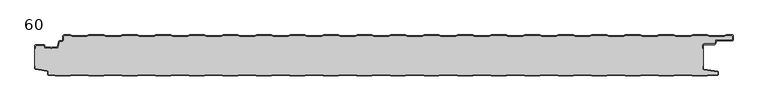
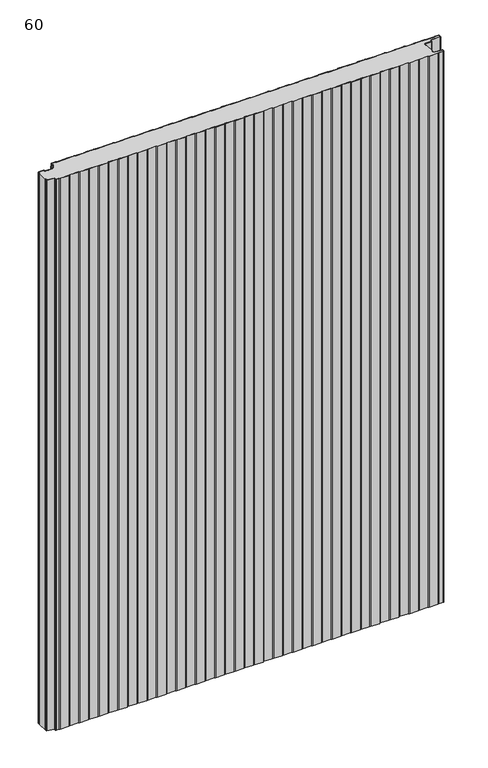
"""IFC4 building model written with IfcOpenShell, lengths in millimetres: plate geometry, 60."""

from ifc_helpers import new_model, si_unit, point, frame_2d, origin, origin_with_axes, place, context, project, spatial, polyline, circle_curve, trimmed, segment, composite_curve, outline, extrude, source, transform, mapped, element, save


def plate_60_f3ddeb56(model_context):
    return source(origin(), model_context, "Body", "SweptSolid", [
        extrude(outline(composite_curve([segment(trimmed(circle_curve(frame_2d((-498.6, -16.2480681)), 1.4), [point((-500.0, -16.2480681))], [point((-498.6, -14.8480681))], False, "CARTESIAN"), True, "CONTINUOUS"), segment(polyline([(-498.6, -14.8480681), (-486.4969094, -14.8480681)]), True, "CONTINUOUS"), segment(trimmed(circle_curve(frame_2d((-486.4969094, -16.2480681)), 1.4), [point((-486.4969094, -14.8480681))], [point((-485.1275334, -15.9568477))], False, "CARTESIAN"), True, "CONTINUOUS"), segment(polyline([(-485.1275334, -15.9568477), (-484.6878192, -18.0244711)]), True, "CONTINUOUS"), segment(trimmed(circle_curve(frame_2d((-484.1011925, -17.8997153)), 0.5997457), [point((-484.6878192, -18.0244711))], [point((-484.1011925, -18.499461))], True, "CARTESIAN"), True, "CONTINUOUS"), segment(polyline([(-484.1011925, -18.499461), (-476.9006569, -18.499461)]), True, "CONTINUOUS"), segment(trimmed(circle_curve(frame_2d((-476.9006569, -19.799946)), 1.300485), [point((-476.9006569, -18.499461))], [point((-475.9808032, -18.8806362))], False, "CARTESIAN"), True, "CONTINUOUS"), segment(trimmed(circle_curve(frame_2d((-475.5877843, -18.5693125)), 0.5013845), [point((-475.9808032, -18.8806362))], [point((-475.2328971, -18.9234896))], True, "CARTESIAN"), True, "CONTINUOUS"), segment(trimmed(circle_curve(frame_2d((-474.2728751, -19.8002001)), 1.3001013), [point((-475.2328971, -18.9234896))], [point((-474.2728751, -18.5000988))], False, "CARTESIAN"), True, "CONTINUOUS"), segment(polyline([(-474.2728751, -18.5000988), (-467.0728572, -18.5000988)]), True, "CONTINUOUS"), segment(trimmed(circle_curve(frame_2d((-467.0728572, -17.9000522)), 0.6000466), [point((-467.0728572, -18.5000988))], [point((-466.4859224, -18.0248059))], True, "CARTESIAN"), True, "CONTINUOUS"), segment(polyline([(-466.4859224, -18.0248059), (-464.8033928, -10.1089305)]), True, "CONTINUOUS"), segment(trimmed(circle_curve(frame_2d((-463.4339847, -10.4)), 1.4), [point((-464.8033928, -10.1089305))], [point((-463.4339847, -9.0))], False, "CARTESIAN"), True, "CONTINUOUS"), segment(polyline([(-463.4339847, -9.0), (-460.4027062, -9.0)]), True, "CONTINUOUS"), segment(trimmed(circle_curve(frame_2d((-460.4027062, -7.1)), 1.9), [point((-460.4027062, -9.0))], [point((-458.5027062, -7.1))], True, "CARTESIAN"), True, "CONTINUOUS"), segment(polyline([(-458.5027062, -7.1), (-458.5027062, -2.0)]), True, "CONTINUOUS"), segment(trimmed(circle_curve(frame_2d((-456.5027062, -2.0)), 2.0), [point((-458.5027062, -2.0))], [point((-456.5027062, 0.0))], False, "CARTESIAN"), True, "CONTINUOUS"), segment(polyline([(-456.5027062, 0.0), (-447.5017452, 0.0), (-444.5017452, -1.0), (-422.5017452, -1.0), (-419.5017452, 0.0), (-397.5017452, 0.0), (-394.5017452, -1.0), (-372.5017452, -1.0), (-369.5017452, 0.0), (-347.5017452, 0.0), (-344.5017452, -1.0), (-322.5017452, -1.0), (-319.5017452, 0.0), (-297.5017452, 0.0), (-294.5017452, -1.0), (-272.5017452, -1.0), (-269.5017452, 0.0), (-247.5017452, 0.0), (-244.5017452, -1.0), (-222.5017452, -1.0), (-219.5017452, 0.0), (-197.5017452, 0.0), (-194.5017452, -1.0), (-172.5017452, -1.0), (-169.5017452, 0.0), (-147.5017452, 0.0), (-144.5017452, -1.0), (-122.5017452, -1.0), (-119.5017452, 0.0), (-97.5017452, 0.0), (-94.5017452, -1.0), (-72.5017452, -1.0), (-69.5017452, 0.0), (-47.5017452, 0.0), (-44.5017452, -1.0), (-22.5017452, -1.0), (-19.5017452, 0.0), (2.4982548, 0.0), (5.4982548, -1.0), (27.4982548, -1.0), (30.4982548, 0.0), (52.4982548, 0.0), (55.4982548, -1.0), (77.4982548, -1.0), (80.4982548, 0.0), (102.4982548, 0.0), (105.4982548, -1.0), (127.4982548, -1.0), (130.4982548, 0.0), (152.4982548, 0.0), (155.4982548, -1.0), (177.4982548, -1.0), (180.4982548, 0.0), (202.4982548, 0.0), (205.4982548, -1.0), (227.4982548, -1.0), (230.4982548, 0.0), (252.4982548, 0.0), (255.4982548, -1.0), (277.4982548, -1.0), (280.4982548, 0.0), (302.4982548, 0.0), (305.4982548, -1.0), (327.4982548, -1.0), (330.4982548, 0.0), (352.4982548, 0.0), (355.4982548, -1.0), (377.4982548, -1.0), (380.4982548, 0.0), (402.4982548, 0.0), (405.4982548, -1.0), (427.4982548, -1.0), (430.4982548, 0.0), (452.4982548, 0.0), (455.4982548, -1.0), (477.4982548, -1.0), (480.4982548, 0.0), (502.4982548, 0.0), (505.4982548, -1.0), (527.4982548, -1.0), (530.4982548, 0.0), (539.4972938, 0.0)]), True, "CONTINUOUS"), segment(trimmed(circle_curve(frame_2d((539.4972938, -2.0)), 2.0), [point((539.4972938, 0.0))], [point((541.0, -0.6801992))], False, "CARTESIAN"), True, "CONTINUOUS"), segment(polyline([(541.0, -0.6801992), (541.0, -8.0014566)]), True, "CONTINUOUS"), segment(trimmed(circle_curve(frame_2d((539.7972938, -6.8)), 1.7), [point((541.0, -8.0014566))], [point((539.7972938, -8.5))], False, "CARTESIAN"), True, "CONTINUOUS"), segment(polyline([(539.7972938, -8.5), (517.0135311, -8.5)]), True, "CONTINUOUS"), segment(trimmed(circle_curve(frame_2d((517.0135311, -9.9)), 1.4), [point((517.0135311, -8.5))], [point((515.6441245, -9.6089236))], True, "CARTESIAN"), True, "CONTINUOUS"), segment(polyline([(515.6441245, -9.6089236), (514.8724972, -13.2391445)]), True, "CONTINUOUS"), segment(trimmed(circle_curve(frame_2d((513.5030906, -12.9480681)), 1.4), [point((514.8724972, -13.2391445))], [point((513.5030906, -14.3480681))], False, "CARTESIAN"), True, "CONTINUOUS"), segment(polyline([(513.5030906, -14.3480681), (497.9, -14.3480681)]), True, "CONTINUOUS"), segment(trimmed(circle_curve(frame_2d((497.9, -15.7480681)), 1.4), [point((497.9, -14.3480681))], [point((496.5, -15.7480681))], True, "CARTESIAN"), True, "CONTINUOUS"), segment(polyline([(496.5, -15.7480681), (496.5, -20.2482392), (495.7, -20.2482392), (495.7, -15.7480681)]), True, "CONTINUOUS"), segment(trimmed(circle_curve(frame_2d((497.9, -15.7480681)), 2.2), [point((495.7, -15.7480681))], [point((497.9, -13.5480681))], False, "CARTESIAN"), True, "CONTINUOUS"), segment(polyline([(497.9, -13.5480681), (513.5030906, -13.5480681)]), True, "CONTINUOUS"), segment(trimmed(circle_curve(frame_2d((513.5030906, -12.9480681)), 0.6), [point((513.5030906, -13.5480681))], [point((514.0899792, -13.0728151))], True, "CARTESIAN"), True, "CONTINUOUS"), segment(polyline([(514.0899792, -13.0728151), (514.8616064, -9.4425943)]), True, "CONTINUOUS"), segment(trimmed(circle_curve(frame_2d((517.0135311, -9.9)), 2.2), [point((514.8616064, -9.4425943))], [point((517.0135311, -7.7))], False, "CARTESIAN"), True, "CONTINUOUS"), segment(polyline([(517.0135311, -7.7), (539.7972938, -7.7)]), True, "CONTINUOUS"), segment(trimmed(circle_curve(frame_2d((539.7972938, -6.8)), 0.9), [point((539.7972938, -7.7))], [point((540.6972938, -6.8))], True, "CARTESIAN"), True, "CONTINUOUS"), segment(polyline([(540.6972938, -6.8), (540.6972938, -2.0)]), True, "CONTINUOUS"), segment(trimmed(circle_curve(frame_2d((539.4972938, -2.0)), 1.2), [point((540.6972938, -2.0))], [point((539.4972938, -0.8))], True, "CARTESIAN"), True, "CONTINUOUS"), segment(polyline([(539.4972938, -0.8), (530.6280769, -0.8), (527.6280769, -1.8), (505.3684327, -1.8), (502.3684327, -0.8), (480.6280769, -0.8), (477.6280769, -1.8), (455.3684327, -1.8), (452.3684327, -0.8), (430.6280769, -0.8), (427.6280769, -1.8), (405.3684327, -1.8), (402.3684327, -0.8), (380.6280769, -0.8), (377.6280769, -1.8), (355.3684327, -1.8), (352.3684327, -0.8), (330.6280769, -0.8), (327.6280769, -1.8), (305.3684327, -1.8), (302.3684327, -0.8), (280.6280769, -0.8), (277.6280769, -1.8), (255.3684327, -1.8), (252.3684327, -0.8), (230.6280769, -0.8), (227.6280769, -1.8), (205.3684327, -1.8), (202.3684327, -0.8), (180.6280769, -0.8), (177.6280769, -1.8), (155.3684327, -1.8), (152.3684327, -0.8), (130.6280769, -0.8), (127.6280769, -1.8), (105.3684327, -1.8), (102.3684327, -0.8), (80.6280769, -0.8), (77.6280769, -1.8), (55.3684327, -1.8), (52.3684327, -0.8), (30.6280769, -0.8), (27.6280769, -1.8), (5.3684327, -1.8), (2.3684327, -0.8), (-19.3719231, -0.8), (-22.3719231, -1.8), (-44.6315673, -1.8), (-47.6315673, -0.8), (-69.3719231, -0.8), (-72.3719231, -1.8), (-94.6315673, -1.8), (-97.6315673, -0.8), (-119.3719231, -0.8), (-122.3719231, -1.8), (-144.6315673, -1.8), (-147.6315673, -0.8), (-169.3719231, -0.8), (-172.3719231, -1.8), (-194.6315673, -1.8), (-197.6315673, -0.8), (-219.3719231, -0.8), (-222.3719231, -1.8), (-244.6315673, -1.8), (-247.6315673, -0.8), (-269.3719231, -0.8), (-272.3719231, -1.8), (-294.6315673, -1.8), (-297.6315673, -0.8), (-319.3719231, -0.8), (-322.3719231, -1.8), (-344.6315673, -1.8), (-347.6315673, -0.8), (-369.3719231, -0.8), (-372.3719231, -1.8), (-394.6315673, -1.8), (-397.6315673, -0.8), (-419.3719231, -0.8), (-422.3719231, -1.8), (-444.6315673, -1.8), (-447.6315673, -0.8), (-456.5027062, -0.8)]), True, "CONTINUOUS"), segment(trimmed(circle_curve(frame_2d((-456.5027062, -2.0)), 1.2), [point((-456.5027062, -0.8))], [point((-457.7027062, -2.0))], True, "CARTESIAN"), True, "CONTINUOUS"), segment(polyline([(-457.7027062, -2.0), (-457.7027062, -7.1)]), True, "CONTINUOUS"), segment(trimmed(circle_curve(frame_2d((-460.4027062, -7.1)), 2.7), [point((-457.7027062, -7.1))], [point((-460.4027062, -9.8))], False, "CARTESIAN"), True, "CONTINUOUS"), segment(polyline([(-460.4027062, -9.8), (-463.4339847, -9.8)]), True, "CONTINUOUS"), segment(trimmed(circle_curve(frame_2d((-463.4339847, -10.4)), 0.6), [point((-463.4339847, -9.8))], [point((-464.0208733, -10.275253))], True, "CARTESIAN"), True, "CONTINUOUS"), segment(polyline([(-464.0208733, -10.275253), (-465.7034335, -18.1910764)]), True, "CONTINUOUS"), segment(trimmed(circle_curve(frame_2d((-467.0728401, -17.9)), 1.4), [point((-465.7034335, -18.1910764))], [point((-467.0728401, -19.3))], False, "CARTESIAN"), True, "CONTINUOUS"), segment(polyline([(-467.0728401, -19.3), (-474.5122154, -19.3)]), True, "CONTINUOUS"), segment(trimmed(circle_curve(frame_2d((-475.5869697, -18.5686292)), 1.3), [point((-474.5122154, -19.3))], [point((-476.6617239, -19.3))], False, "CARTESIAN"), True, "CONTINUOUS"), segment(polyline([(-476.6617239, -19.3), (-484.1010993, -19.3)]), True, "CONTINUOUS"), segment(trimmed(circle_curve(frame_2d((-484.1010993, -17.9)), 1.4), [point((-484.1010993, -19.3))], [point((-485.4705059, -18.1910764))], False, "CARTESIAN"), True, "CONTINUOUS"), segment(polyline([(-485.4705059, -18.1910764), (-485.9100208, -16.1233211)]), True, "CONTINUOUS"), segment(trimmed(circle_curve(frame_2d((-486.4969094, -16.2480681)), 0.6), [point((-485.9100208, -16.1233211))], [point((-486.4969094, -15.6480681))], True, "CARTESIAN"), True, "CONTINUOUS"), segment(polyline([(-486.4969094, -15.6480681), (-498.6, -15.6480681)]), True, "CONTINUOUS"), segment(trimmed(circle_curve(frame_2d((-498.6, -16.2480681)), 0.6), [point((-498.6, -15.6480681))], [point((-499.2, -16.2480681))], True, "CARTESIAN"), True, "CONTINUOUS"), segment(polyline([(-499.2, -16.2480681), (-499.2, -20.2482392), (-500.0, -20.2482392), (-500.0, -16.2480681)]), True, "CONTINUOUS")], self_intersect=False)), origin_with_axes(), (0.0, 0.0, 1.0), 1500.0),
        extrude(outline(composite_curve([segment(polyline([(-500.0, -46.3232445), (-500.0, -20.2482392), (-499.2, -20.2482392), (-499.2, -16.2480681)]), True, "CONTINUOUS"), segment(trimmed(circle_curve(frame_2d((-498.6, -16.2480681)), 0.6), [point((-499.2, -16.2480681))], [point((-498.6, -15.6480681))], False, "CARTESIAN"), True, "CONTINUOUS"), segment(polyline([(-498.6, -15.6480681), (-486.4969094, -15.6480681)]), True, "CONTINUOUS"), segment(trimmed(circle_curve(frame_2d((-486.4969094, -16.2480681)), 0.6), [point((-486.4969094, -15.6480681))], [point((-485.9100208, -16.1233211))], False, "CARTESIAN"), True, "CONTINUOUS"), segment(polyline([(-485.9100208, -16.1233211), (-485.4705059, -18.1910764)]), True, "CONTINUOUS"), segment(trimmed(circle_curve(frame_2d((-484.1010993, -17.9)), 1.4), [point((-485.4705059, -18.1910764))], [point((-484.1010993, -19.3))], True, "CARTESIAN"), True, "CONTINUOUS"), segment(polyline([(-484.1010993, -19.3), (-476.6617239, -19.3)]), True, "CONTINUOUS"), segment(trimmed(circle_curve(frame_2d((-475.5869697, -18.5686292)), 1.3), [point((-476.6617239, -19.3))], [point((-474.5122154, -19.3))], True, "CARTESIAN"), True, "CONTINUOUS"), segment(polyline([(-474.5122154, -19.3), (-467.0728401, -19.3)]), True, "CONTINUOUS"), segment(trimmed(circle_curve(frame_2d((-467.0728401, -17.9)), 1.4), [point((-467.0728401, -19.3))], [point((-465.7034335, -18.1910764))], True, "CARTESIAN"), True, "CONTINUOUS"), segment(polyline([(-465.7034335, -18.1910764), (-464.0208733, -10.275253)]), True, "CONTINUOUS"), segment(trimmed(circle_curve(frame_2d((-463.4339847, -10.4)), 0.6), [point((-464.0208733, -10.275253))], [point((-463.4339847, -9.8))], False, "CARTESIAN"), True, "CONTINUOUS"), segment(polyline([(-463.4339847, -9.8), (-460.4027062, -9.8)]), True, "CONTINUOUS"), segment(trimmed(circle_curve(frame_2d((-460.4027062, -7.1)), 2.7), [point((-460.4027062, -9.8))], [point((-457.7027062, -7.1))], True, "CARTESIAN"), True, "CONTINUOUS"), segment(polyline([(-457.7027062, -7.1), (-457.7027062, -2.0)]), True, "CONTINUOUS"), segment(trimmed(circle_curve(frame_2d((-456.5027062, -2.0)), 1.2), [point((-457.7027062, -2.0))], [point((-456.5027062, -0.8))], False, "CARTESIAN"), True, "CONTINUOUS"), segment(polyline([(-456.5027062, -0.8), (-447.6315673, -0.8), (-444.6315673, -1.8), (-422.3719231, -1.8), (-419.3719231, -0.8), (-397.6315673, -0.8), (-394.6315673, -1.8), (-372.3719231, -1.8), (-369.3719231, -0.8), (-347.6315673, -0.8), (-344.6315673, -1.8), (-322.3719231, -1.8), (-319.3719231, -0.8), (-297.6315673, -0.8), (-294.6315673, -1.8), (-272.3719231, -1.8), (-269.3719231, -0.8), (-247.6315673, -0.8), (-244.6315673, -1.8), (-222.3719231, -1.8), (-219.3719231, -0.8), (-197.6315673, -0.8), (-194.6315673, -1.8), (-172.3719231, -1.8), (-169.3719231, -0.8), (-147.6315673, -0.8), (-144.6315673, -1.8), (-122.3719231, -1.8), (-119.3719231, -0.8), (-97.6315673, -0.8), (-94.6315673, -1.8), (-72.3719231, -1.8), (-69.3719231, -0.8), (-47.6315673, -0.8), (-44.6315673, -1.8), (-22.3719231, -1.8), (-19.3719231, -0.8), (2.3684327, -0.8), (5.3684327, -1.8), (27.6280769, -1.8), (30.6280769, -0.8), (52.3684327, -0.8), (55.3684327, -1.8), (77.6280769, -1.8), (80.6280769, -0.8), (102.3684327, -0.8), (105.3684327, -1.8), (127.6280769, -1.8), (130.6280769, -0.8), (152.3684327, -0.8), (155.3684327, -1.8), (177.6280769, -1.8), (180.6280769, -0.8), (202.3684327, -0.8), (205.3684327, -1.8), (227.6280769, -1.8), (230.6280769, -0.8), (252.3684327, -0.8), (255.3684327, -1.8), (277.6280769, -1.8), (280.6280769, -0.8), (302.3684327, -0.8), (305.3684327, -1.8), (327.6280769, -1.8), (330.6280769, -0.8), (352.3684327, -0.8), (355.3684327, -1.8), (377.6280769, -1.8), (380.6280769, -0.8), (402.3684327, -0.8), (405.3684327, -1.8), (427.6280769, -1.8), (430.6280769, -0.8), (452.3684327, -0.8), (455.3684327, -1.8), (477.6280769, -1.8), (480.6280769, -0.8), (502.3684327, -0.8), (505.3684327, -1.8), (527.6280769, -1.8), (530.6280769, -0.8), (539.4972938, -0.8)]), True, "CONTINUOUS"), segment(trimmed(circle_curve(frame_2d((539.4972938, -2.0)), 1.2), [point((539.4972938, -0.8))], [point((540.6972938, -2.0))], False, "CARTESIAN"), True, "CONTINUOUS"), segment(polyline([(540.6972938, -2.0), (540.6972938, -6.8)]), True, "CONTINUOUS"), segment(trimmed(circle_curve(frame_2d((539.7972938, -6.8)), 0.9), [point((540.6972938, -6.8))], [point((539.7972938, -7.7))], False, "CARTESIAN"), True, "CONTINUOUS"), segment(polyline([(539.7972938, -7.7), (517.0135311, -7.7)]), True, "CONTINUOUS"), segment(trimmed(circle_curve(frame_2d((517.0135311, -9.9)), 2.2), [point((517.0135311, -7.7))], [point((514.8616064, -9.4425943))], True, "CARTESIAN"), True, "CONTINUOUS"), segment(polyline([(514.8616064, -9.4425943), (514.0899792, -13.0728151)]), True, "CONTINUOUS"), segment(trimmed(circle_curve(frame_2d((513.5030906, -12.9480681)), 0.6), [point((514.0899792, -13.0728151))], [point((513.5030906, -13.5480681))], False, "CARTESIAN"), True, "CONTINUOUS"), segment(polyline([(513.5030906, -13.5480681), (497.9, -13.5480681)]), True, "CONTINUOUS"), segment(trimmed(circle_curve(frame_2d((497.9, -15.7480681)), 2.2), [point((497.9, -13.5480681))], [point((495.7, -15.7480681))], True, "CARTESIAN"), True, "CONTINUOUS"), segment(polyline([(495.7, -15.7480681), (495.7, -20.2482392), (496.5, -20.2482392), (496.5, -46.3232445), (495.7, -46.3232445), (495.7, -50.7275325)]), True, "CONTINUOUS"), segment(trimmed(circle_curve(frame_2d((497.2, -50.7275325)), 1.5), [point((495.7, -50.7275325))], [point((496.9911207, -52.2129178))], True, "CARTESIAN"), True, "CONTINUOUS"), segment(polyline([(496.9911207, -52.2129178), (517.69005, -55.1236622)]), True, "CONTINUOUS"), segment(trimmed(circle_curve(frame_2d((517.6075495, -55.7103403)), 0.5924505), [point((517.69005, -55.1236622))], [point((518.2, -55.7103403))], False, "CARTESIAN"), True, "CONTINUOUS"), segment(polyline([(518.2, -55.7103403), (518.2, -58.7)]), True, "CONTINUOUS"), segment(trimmed(circle_curve(frame_2d((517.7, -58.7)), 0.5), [point((518.2, -58.7))], [point((517.7, -59.2))], False, "CARTESIAN"), True, "CONTINUOUS"), segment(polyline([(517.7, -59.2), (505.3684327, -59.2), (502.3684327, -60.2), (480.3684327, -60.2), (477.3684327, -59.2), (455.3684327, -59.2), (452.3684327, -60.2), (430.3684327, -60.2), (427.3684327, -59.2), (405.3684327, -59.2), (402.3684327, -60.2), (380.3684327, -60.2), (377.3684327, -59.2), (355.3684327, -59.2), (352.3684327, -60.2), (330.3684327, -60.2), (327.3684327, -59.2), (305.3684327, -59.2), (302.3684327, -60.2), (280.3684327, -60.2), (277.3684327, -59.2), (255.3684327, -59.2), (252.3684327, -60.2), (230.3684327, -60.2), (227.3684327, -59.2), (205.3684327, -59.2), (202.3684327, -60.2), (180.3684327, -60.2), (177.3684327, -59.2), (155.3684327, -59.2), (152.3684327, -60.2), (130.3684327, -60.2), (127.3684327, -59.2), (105.3684327, -59.2), (102.3684327, -60.2), (80.3684327, -60.2), (77.3684327, -59.2), (55.3684327, -59.2), (52.3684327, -60.2), (30.3684327, -60.2), (27.3684327, -59.2), (5.3684327, -59.2), (2.3684327, -60.2), (-19.6315673, -60.2), (-22.6315673, -59.2), (-44.6315673, -59.2), (-47.6315673, -60.2), (-69.6315673, -60.2), (-72.6315673, -59.2), (-94.6315673, -59.2), (-97.6315673, -60.2), (-119.6315673, -60.2), (-122.6315673, -59.2), (-144.6315673, -59.2), (-147.6315673, -60.2), (-169.6315673, -60.2), (-172.6315673, -59.2), (-194.6315673, -59.2), (-197.6315673, -60.2), (-219.6315673, -60.2), (-222.6315673, -59.2), (-244.6315673, -59.2), (-247.6315673, -60.2), (-269.6315673, -60.2), (-272.6315673, -59.2), (-294.6315673, -59.2), (-297.6315673, -60.2), (-319.6315673, -60.2), (-322.6315673, -59.2), (-344.6315673, -59.2), (-347.6315673, -60.2), (-369.6315673, -60.2), (-372.6315673, -59.2), (-394.6315673, -59.2), (-397.6315673, -60.2), (-419.6315673, -60.2), (-422.6315673, -59.2), (-444.6315673, -59.2), (-447.6315673, -60.2), (-469.6315673, -60.2), (-472.6315673, -59.2), (-479.7, -59.2)]), True, "CONTINUOUS"), segment(trimmed(circle_curve(frame_2d((-479.7, -58.7)), 0.5), [point((-479.7, -59.2))], [point((-480.2, -58.7))], False, "CARTESIAN"), True, "CONTINUOUS"), segment(polyline([(-480.2, -58.7), (-480.2, -54.6035317)]), True, "CONTINUOUS"), segment(trimmed(circle_curve(frame_2d((-481.7, -54.6035317)), 1.5), [point((-480.2, -54.6035317))], [point((-481.4911207, -53.1181464))], True, "CARTESIAN"), True, "CONTINUOUS"), segment(polyline([(-481.4911207, -53.1181464), (-498.6835517, -50.7004962)]), True, "CONTINUOUS"), segment(trimmed(circle_curve(frame_2d((-498.6, -50.1063421)), 0.6), [point((-498.6835517, -50.7004962))], [point((-499.2, -50.1063421))], False, "CARTESIAN"), True, "CONTINUOUS"), segment(polyline([(-499.2, -50.1063421), (-499.2, -46.3232445), (-500.0, -46.3232445)]), True, "CONTINUOUS")], self_intersect=False)), origin_with_axes(), (0.0, 0.0, 1.0), 1500.0),
        extrude(outline(composite_curve([segment(polyline([(-500.0, -46.3232445), (-499.2, -46.3232445), (-499.2, -50.1063421)]), True, "CONTINUOUS"), segment(trimmed(circle_curve(frame_2d((-498.6, -50.1063421)), 0.6), [point((-499.2, -50.1063421))], [point((-498.6835517, -50.7004962))], True, "CARTESIAN"), True, "CONTINUOUS"), segment(polyline([(-498.6835517, -50.7004962), (-481.4911207, -53.1181464)]), True, "CONTINUOUS"), segment(trimmed(circle_curve(frame_2d((-481.7, -54.6035317)), 1.5), [point((-481.4911207, -53.1181464))], [point((-480.2, -54.6035317))], False, "CARTESIAN"), True, "CONTINUOUS"), segment(polyline([(-480.2, -54.6035317), (-480.2, -58.7)]), True, "CONTINUOUS"), segment(trimmed(circle_curve(frame_2d((-479.7, -58.7)), 0.5), [point((-480.2, -58.7))], [point((-479.7, -59.2))], True, "CARTESIAN"), True, "CONTINUOUS"), segment(polyline([(-479.7, -59.2), (-472.6315673, -59.2), (-469.6315673, -60.2), (-447.6315673, -60.2), (-444.6315673, -59.2), (-422.6315673, -59.2), (-419.6315673, -60.2), (-397.6315673, -60.2), (-394.6315673, -59.2), (-372.6315673, -59.2), (-369.6315673, -60.2), (-347.6315673, -60.2), (-344.6315673, -59.2), (-322.6315673, -59.2), (-319.6315673, -60.2), (-297.6315673, -60.2), (-294.6315673, -59.2), (-272.6315673, -59.2), (-269.6315673, -60.2), (-247.6315673, -60.2), (-244.6315673, -59.2), (-222.6315673, -59.2), (-219.6315673, -60.2), (-197.6315673, -60.2), (-194.6315673, -59.2), (-172.6315673, -59.2), (-169.6315673, -60.2), (-147.6315673, -60.2), (-144.6315673, -59.2), (-122.6315673, -59.2), (-119.6315673, -60.2), (-97.6315673, -60.2), (-94.6315673, -59.2), (-72.6315673, -59.2), (-69.6315673, -60.2), (-47.6315673, -60.2), (-44.6315673, -59.2), (-22.6315673, -59.2), (-19.6315673, -60.2), (2.3684327, -60.2), (5.3684327, -59.2), (27.3684327, -59.2), (30.3684327, -60.2), (52.3684327, -60.2), (55.3684327, -59.2), (77.3684327, -59.2), (80.3684327, -60.2), (102.3684327, -60.2), (105.3684327, -59.2), (127.3684327, -59.2), (130.3684327, -60.2), (152.3684327, -60.2), (155.3684327, -59.2), (177.3684327, -59.2), (180.3684327, -60.2), (202.3684327, -60.2), (205.3684327, -59.2), (227.3684327, -59.2), (230.3684327, -60.2), (252.3684327, -60.2), (255.3684327, -59.2), (277.3684327, -59.2), (280.3684327, -60.2), (302.3684327, -60.2), (305.3684327, -59.2), (327.3684327, -59.2), (330.3684327, -60.2), (352.3684327, -60.2), (355.3684327, -59.2), (377.3684327, -59.2), (380.3684327, -60.2), (402.3684327, -60.2), (405.3684327, -59.2), (427.3684327, -59.2), (430.3684327, -60.2), (452.3684327, -60.2), (455.3684327, -59.2), (477.3684327, -59.2), (480.3684327, -60.2), (502.3684327, -60.2), (505.3684327, -59.2), (517.7, -59.2)]), True, "CONTINUOUS"), segment(trimmed(circle_curve(frame_2d((517.7, -58.7)), 0.5), [point((517.7, -59.2))], [point((518.2, -58.7))], True, "CARTESIAN"), True, "CONTINUOUS"), segment(polyline([(518.2, -58.7), (518.2, -55.7103403)]), True, "CONTINUOUS"), segment(trimmed(circle_curve(frame_2d((517.6075495, -55.7103403)), 0.5924505), [point((518.2, -55.7103403))], [point((517.69005, -55.1236622))], True, "CARTESIAN"), True, "CONTINUOUS"), segment(polyline([(517.69005, -55.1236622), (496.9911207, -52.2129178)]), True, "CONTINUOUS"), segment(trimmed(circle_curve(frame_2d((497.2, -50.7275325)), 1.5), [point((496.9911207, -52.2129178))], [point((495.7, -50.7275325))], False, "CARTESIAN"), True, "CONTINUOUS"), segment(polyline([(495.7, -50.7275325), (495.7, -46.3232445), (496.5, -46.3232445), (496.5, -50.7275325)]), True, "CONTINUOUS"), segment(trimmed(circle_curve(frame_2d((497.2, -50.7275325)), 0.7), [point((496.5, -50.7275325))], [point((497.102523, -51.4207123))], True, "CARTESIAN"), True, "CONTINUOUS"), segment(polyline([(497.102523, -51.4207123), (517.8810287, -54.342647)]), True, "CONTINUOUS"), segment(trimmed(circle_curve(frame_2d((517.7, -55.6299809)), 1.3), [point((517.8810287, -54.342647))], [point((519.0, -55.6299809))], False, "CARTESIAN"), True, "CONTINUOUS"), segment(polyline([(519.0, -55.6299809), (519.0, -58.7)]), True, "CONTINUOUS"), segment(trimmed(circle_curve(frame_2d((517.7, -58.7)), 1.3), [point((519.0, -58.7))], [point((517.7, -60.0))], False, "CARTESIAN"), True, "CONTINUOUS"), segment(polyline([(517.7, -60.0), (505.4982548, -60.0), (502.4982548, -61.0), (480.2386105, -61.0), (477.2386105, -60.0), (455.4982548, -60.0), (452.4982548, -61.0), (430.2386105, -61.0), (427.2386105, -60.0), (405.4982548, -60.0), (402.4982548, -61.0), (380.2386105, -61.0), (377.2386105, -60.0), (355.4982548, -60.0), (352.4982548, -61.0), (330.2386105, -61.0), (327.2386105, -60.0), (305.4982548, -60.0), (302.4982548, -61.0), (280.2386105, -61.0), (277.2386105, -60.0), (255.4982548, -60.0), (252.4982548, -61.0), (230.2386105, -61.0), (227.2386105, -60.0), (205.4982548, -60.0), (202.4982548, -61.0), (180.2386105, -61.0), (177.2386105, -60.0), (155.4982548, -60.0), (152.4982548, -61.0), (130.2386105, -61.0), (127.2386105, -60.0), (105.4982548, -60.0), (102.4982548, -61.0), (80.2386105, -61.0), (77.2386105, -60.0), (55.4982548, -60.0), (52.4982548, -61.0), (30.2386105, -61.0), (27.2386105, -60.0), (5.4982548, -60.0), (2.4982548, -61.0), (-19.7613895, -61.0), (-22.7613895, -60.0), (-44.5017452, -60.0), (-47.5017452, -61.0), (-69.7613895, -61.0), (-72.7613895, -60.0), (-94.5017452, -60.0), (-97.5017452, -61.0), (-119.7613895, -61.0), (-122.7613895, -60.0), (-144.5017452, -60.0), (-147.5017452, -61.0), (-169.7613895, -61.0), (-172.7613895, -60.0), (-194.5017452, -60.0), (-197.5017452, -61.0), (-219.7613895, -61.0), (-222.7613895, -60.0), (-244.5017452, -60.0), (-247.5017452, -61.0), (-269.7613895, -61.0), (-272.7613895, -60.0), (-294.5017452, -60.0), (-297.5017452, -61.0), (-319.7613895, -61.0), (-322.7613895, -60.0), (-344.5017452, -60.0), (-347.5017452, -61.0), (-369.7613895, -61.0), (-372.7613895, -60.0), (-394.5017452, -60.0), (-397.5017452, -61.0), (-419.7613895, -61.0), (-422.7613895, -60.0), (-444.5017452, -60.0), (-447.5017452, -61.0), (-469.7613895, -61.0), (-472.7613895, -60.0), (-479.7, -60.0)]), True, "CONTINUOUS"), segment(trimmed(circle_curve(frame_2d((-479.7, -58.7)), 1.3), [point((-479.7, -60.0))], [point((-481.0, -58.7))], False, "CARTESIAN"), True, "CONTINUOUS"), segment(polyline([(-481.0, -58.7), (-481.0, -54.6035317)]), True, "CONTINUOUS"), segment(trimmed(circle_curve(frame_2d((-481.7, -54.6035317)), 0.7), [point((-481.0, -54.6035317))], [point((-481.602523, -53.9103519))], True, "CARTESIAN"), True, "CONTINUOUS"), segment(polyline([(-481.602523, -53.9103519), (-498.8810287, -51.4805976)]), True, "CONTINUOUS"), segment(trimmed(circle_curve(frame_2d((-498.7, -50.1932637)), 1.3), [point((-498.8810287, -51.4805976))], [point((-500.0, -50.1932637))], False, "CARTESIAN"), True, "CONTINUOUS"), segment(polyline([(-500.0, -50.1932637), (-500.0, -46.3232445)]), True, "CONTINUOUS")], self_intersect=False)), origin_with_axes(), (0.0, 0.0, 1.0), 1500.0),
    ])


if __name__ == "__main__":
    model = new_model("IFC4")
    model_context = context("Model", 3, world=origin())
    ifc_project = project(units=[si_unit("LENGTHUNIT", "METRE", prefix="MILLI")], contexts=[model_context])
    site = spatial("IfcSite", under=ifc_project)
    building = spatial("IfcBuilding", under=site)
    placement = place(None, origin())
    plate_60_shape = plate_60_f3ddeb56(model_context)
    element("IfcPlate", 1, ObjectType="60", at=placement, inside=building, context=model_context, shape_type="MappedRepresentation", body=[
        mapped(plate_60_shape, transform((0.0, 0.0, 0.0), x_axis=(1.0, 0.0, 0.0), y_axis=(0.0, 1.0, 0.0), z_axis=(0.0, 0.0, 1.0))),
    ])
    save(model, "model.ifc")
